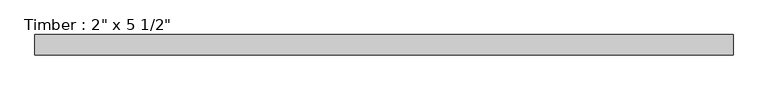
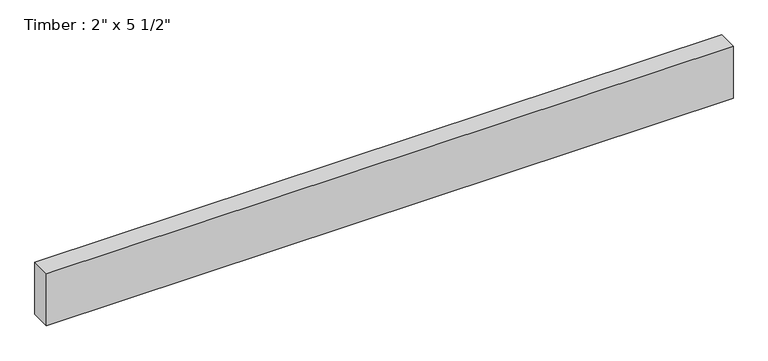
"""IFC4 building model written with IfcOpenShell, lengths in millimetres: beam geometry."""

from ifc_helpers import new_model, si_unit, frame, origin, place, context, project, spatial, polyline, outline, extrude, source, transform, mapped, element, save


def beam_81f507df(model_context):
    return source(origin(), model_context, "Body", "SweptSolid", [
        extrude(outline(polyline([(871.0019791, 25.4), (871.0019791, -25.4), (-871.0019791, -25.4), (-871.0019791, 25.4), (871.0019791, 25.4)])), frame((0.0, 0.0, -69.85), z_axis=(0.0, 0.0, 1.0), x_axis=(1.0, 0.0, 0.0)), (0.0, 0.0, 1.0), 139.7),
    ])


if __name__ == "__main__":
    model = new_model("IFC4")
    model_context = context("Model", 3, world=origin())
    ifc_project = project(units=[si_unit("LENGTHUNIT", "METRE", prefix="MILLI")], contexts=[model_context])
    site = spatial("IfcSite", under=ifc_project)
    building = spatial("IfcBuilding", under=site)
    placement = place(None, origin())
    beam_shape = beam_81f507df(model_context)
    element("IfcBeam", 1, ObjectType="Timber : 2\" x 5 1/2\"", at=placement, inside=building, context=model_context, shape_type="MappedRepresentation", body=[
        mapped(beam_shape, transform((0.0, 0.0, 0.0), x_axis=(1.0, 0.0, 0.0), y_axis=(0.0, 1.0, 0.0), z_axis=(0.0, 0.0, 1.0))),
    ])
    save(model, "model.ifc")
